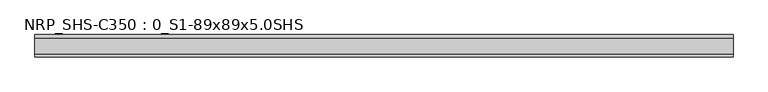
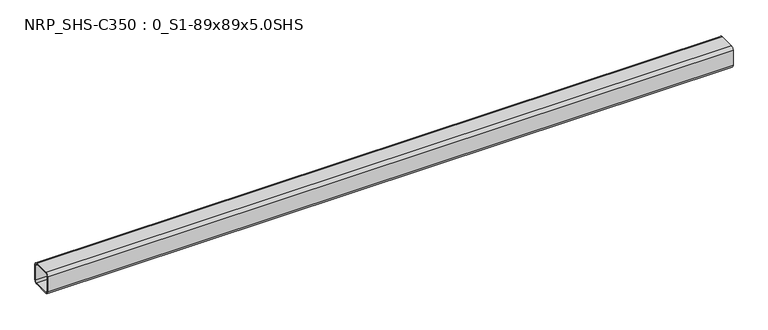
"""IFC4 building model written with IfcOpenShell, lengths in millimetres: beam geometry, NRP_SHS-C350 : 0_S1-89x89x5.0SHS."""

from ifc_helpers import new_model, si_unit, point, frame, frame_2d, origin, place, context, project, spatial, polyline, circle_curve, trimmed, segment, composite_curve, outline, extrude, source, transform, mapped, element, save


def nrp_shs_c350_0_s1_89x89x5_0shs_ae37cff5(model_context):
    return source(origin(), model_context, "Body", "SweptSolid", [
        extrude(outline(composite_curve([segment(polyline([(44.5, 32.0), (44.5, -32.0)]), True, "CONTINUOUS"), segment(trimmed(circle_curve(frame_2d((32.0, -32.0)), 12.5), [point((44.5, -32.0))], [point((32.0, -44.5))], False, "CARTESIAN"), True, "CONTINUOUS"), segment(polyline([(32.0, -44.5), (-32.0, -44.5)]), True, "CONTINUOUS"), segment(trimmed(circle_curve(frame_2d((-32.0, -32.0)), 12.5), [point((-32.0, -44.5))], [point((-44.5, -32.0))], False, "CARTESIAN"), True, "CONTINUOUS"), segment(polyline([(-44.5, -32.0), (-44.5, 32.0)]), True, "CONTINUOUS"), segment(trimmed(circle_curve(frame_2d((-32.0, 32.0)), 12.5), [point((-44.5, 32.0))], [point((-32.0, 44.5))], False, "CARTESIAN"), True, "CONTINUOUS"), segment(polyline([(-32.0, 44.5), (32.0, 44.5)]), True, "CONTINUOUS"), segment(trimmed(circle_curve(frame_2d((32.0, 32.0)), 12.5), [point((32.0, 44.5))], [point((44.5, 32.0))], False, "CARTESIAN"), True, "CONTINUOUS")], self_intersect=False), holes=[composite_curve([segment(trimmed(circle_curve(frame_2d((-32.0, 32.0)), 7.5), [point((-32.0, 39.5))], [point((-39.5, 32.0))], True, "CARTESIAN"), True, "CONTINUOUS"), segment(polyline([(-39.5, 32.0), (-39.5, -32.0)]), True, "CONTINUOUS"), segment(trimmed(circle_curve(frame_2d((-32.0, -32.0)), 7.5), [point((-39.5, -32.0))], [point((-32.0, -39.5))], True, "CARTESIAN"), True, "CONTINUOUS"), segment(polyline([(-32.0, -39.5), (32.0, -39.5)]), True, "CONTINUOUS"), segment(trimmed(circle_curve(frame_2d((32.0, -32.0)), 7.5), [point((32.0, -39.5))], [point((39.5, -32.0))], True, "CARTESIAN"), True, "CONTINUOUS"), segment(polyline([(39.5, -32.0), (39.5, 32.0)]), True, "CONTINUOUS"), segment(trimmed(circle_curve(frame_2d((32.0, 32.0)), 7.5), [point((39.5, 32.0))], [point((32.0, 39.5))], True, "CARTESIAN"), True, "CONTINUOUS"), segment(polyline([(32.0, 39.5), (-32.0, 39.5)]), True, "CONTINUOUS")], self_intersect=False)]), frame((-1389.5, 0.0, 0.0), z_axis=(1.0, 0.0, 0.0), x_axis=(0.0, 1.0, 0.0)), (0.0, 0.0, 1.0), 2774.0),
    ])


if __name__ == "__main__":
    model = new_model("IFC4")
    model_context = context("Model", 3, world=origin())
    ifc_project = project(units=[si_unit("LENGTHUNIT", "METRE", prefix="MILLI")], contexts=[model_context])
    site = spatial("IfcSite", under=ifc_project)
    building = spatial("IfcBuilding", under=site)
    placement = place(None, origin())
    nrp_shs_c350_0_s1_89x89x5_0shs_shape = nrp_shs_c350_0_s1_89x89x5_0shs_ae37cff5(model_context)
    element("IfcBeam", 1, ObjectType="NRP_SHS-C350 : 0_S1-89x89x5.0SHS", at=placement, inside=building, context=model_context, shape_type="MappedRepresentation", body=[
        mapped(nrp_shs_c350_0_s1_89x89x5_0shs_shape, transform((0.0, 0.0, 0.0), x_axis=(1.0, 0.0, 0.0), y_axis=(0.0, 1.0, 0.0), z_axis=(0.0, 0.0, 1.0))),
    ])
    save(model, "model.ifc")
